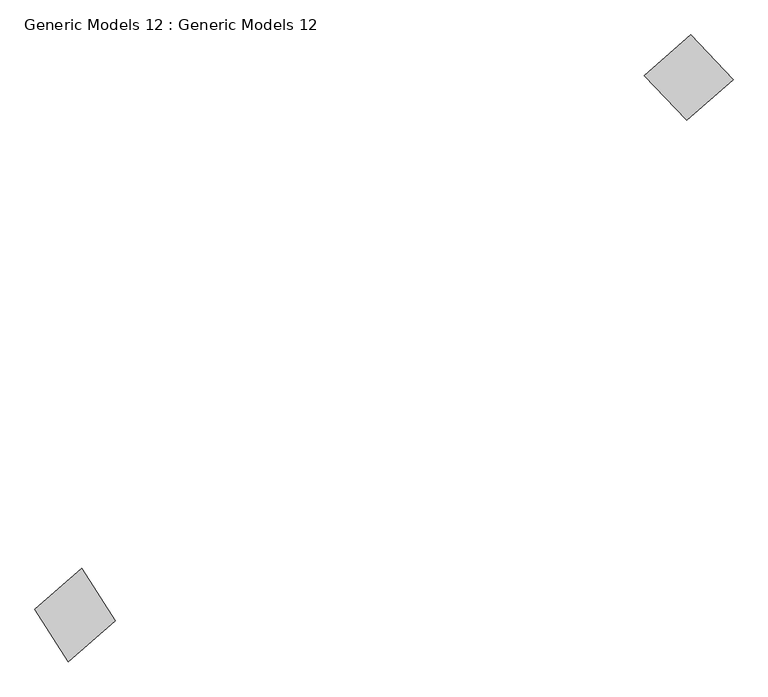
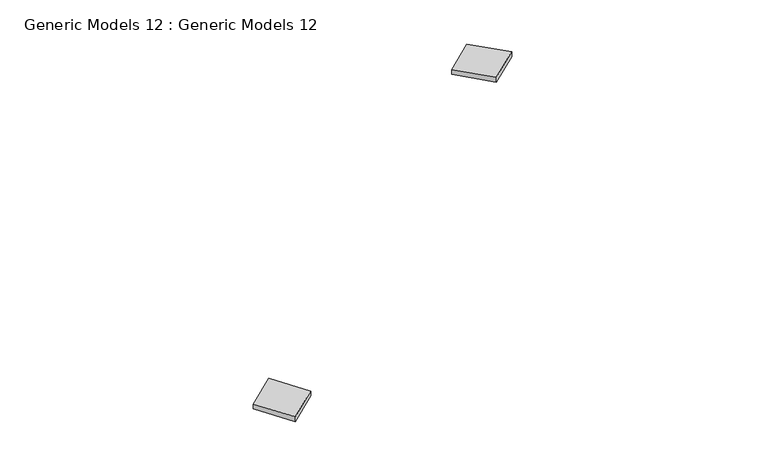
"""IFC4 building model written with IfcOpenShell, lengths in millimetres: proxy geometry, Generic Models 12 : Generic Models 12."""

from ifc_helpers import new_model, si_unit, frame, origin, place, context, project, spatial, polyline, outline, extrude, source, transform, mapped, element, save


def generic_models_12_generic_models_12_bd2aef41(model_context):
    return source(origin(), model_context, "Body", "SweptSolid", [
        extrude(outline(polyline([(-197908.3356851, -22147.1988063), (-199431.1257087, -23481.9917349), (-200510.9795018, -21768.9600937), (-198988.1894782, -20434.1671651), (-197908.3356851, -22147.1988063)])), frame((0.0, 0.0, 17080.0), z_axis=(0.0, 0.0, 1.0), x_axis=(1.0, 0.0, 0.0)), (0.0, 0.0, 1.0), 250.0),
        extrude(outline(polyline([(-179226.2798958, -3111.9777916), (-177846.3317245, -4561.9634135), (-179351.5954355, -5881.3937525), (-180731.5436068, -4431.4081306), (-179226.2798958, -3111.9777916)])), frame((0.0, 0.0, 17080.0), z_axis=(0.0, 0.0, 1.0), x_axis=(1.0, 0.0, 0.0)), (0.0, 0.0, 1.0), 250.0),
    ])


if __name__ == "__main__":
    model = new_model("IFC4")
    model_context = context("Model", 3, world=origin())
    ifc_project = project(units=[si_unit("LENGTHUNIT", "METRE", prefix="MILLI")], contexts=[model_context])
    site = spatial("IfcSite", under=ifc_project)
    building = spatial("IfcBuilding", under=site)
    placement = place(None, origin())
    generic_models_12_generic_models_12_shape = generic_models_12_generic_models_12_bd2aef41(model_context)
    element("IfcBuildingElementProxy", 1, Name="Generic Models 12 : Generic Models 12", ObjectType="Generic Models 12 : Generic Models 12", at=placement, inside=building, context=model_context, shape_type="MappedRepresentation", body=[
        mapped(generic_models_12_generic_models_12_shape, transform((0.0, 0.0, 0.0), x_axis=(1.0, 0.0, 0.0), y_axis=(0.0, 1.0, 0.0), z_axis=(0.0, 0.0, 1.0))),
    ])
    save(model, "model.ifc")
